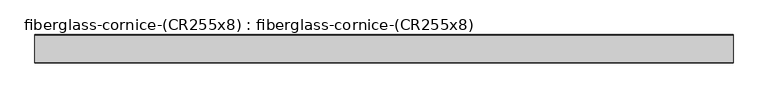
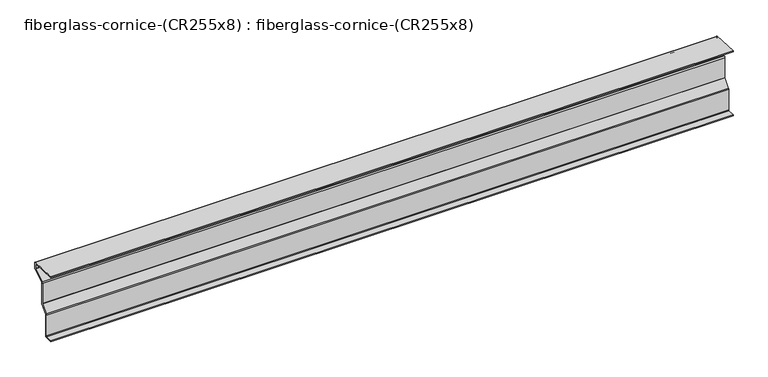
"""IFC4 building model written with IfcOpenShell, lengths in millimetres: furniture geometry, fiberglass-cornice-(CR255x8) : fiberglass-cornice-(CR255x8)."""

from ifc_helpers import new_model, si_unit, point, frame, frame_2d, origin, place, context, project, spatial, polyline, circle_curve, trimmed, segment, composite_curve, outline, extrude, source, transform, mapped, element, save


def fiberglass_cornice_cr255x8_fiberglass_cornice_cr255x8_aec6b964(model_context):
    return source(origin(), model_context, "Body", "SweptSolid", [
        extrude(outline(composite_curve([segment(polyline([(101.6, 330.1999904), (262.0607081, 323.9685066)]), True, "CONTINUOUS"), segment(trimmed(circle_curve(frame_2d((261.9375, 320.7958981)), 3.175), [point((262.0607081, 323.9685066))], [point((265.1125, 320.7958981))], False, "CARTESIAN"), True, "CONTINUOUS"), segment(polyline([(265.1125, 320.7958981), (265.1125, 284.3388793)]), True, "CONTINUOUS"), segment(trimmed(circle_curve(frame_2d((261.9375, 284.3388793)), 3.175), [point((265.1125, 284.3388793))], [point((263.6148585, 281.6431246))], False, "CARTESIAN"), True, "CONTINUOUS"), segment(polyline([(263.6148585, 281.6431246), (195.1726415, 239.0568562)]), True, "CONTINUOUS"), segment(trimmed(circle_curve(frame_2d((196.85, 236.3611015)), 3.175), [point((195.1726415, 239.0568562))], [point((193.675, 236.3611015))], True, "CARTESIAN"), True, "CONTINUOUS"), segment(polyline([(193.675, 236.3611015), (193.675, 109.1611448)]), True, "CONTINUOUS"), segment(trimmed(circle_curve(frame_2d((190.5, 109.1611448)), 3.175), [point((193.675, 109.1611448))], [point((192.8683521, 107.0465447))], False, "CARTESIAN"), True, "CONTINUOUS"), segment(polyline([(192.8683521, 107.0465447), (154.7941479, 64.4034361)]), True, "CONTINUOUS"), segment(trimmed(circle_curve(frame_2d((157.1625, 62.288836)), 3.175), [point((154.7941479, 64.4034361))], [point((153.9875, 62.288836))], True, "CARTESIAN"), True, "CONTINUOUS"), segment(polyline([(153.9875, 62.288836), (153.9875, -73.0250096)]), True, "CONTINUOUS"), segment(trimmed(circle_curve(frame_2d((150.8125, -73.0250096)), 3.175), [point((153.9875, -73.0250096))], [point((150.8125, -76.2000096))], False, "CARTESIAN"), True, "CONTINUOUS"), segment(polyline([(150.8125, -76.2000096), (101.6, -76.2000096), (101.6, -69.8500096), (144.4625, -69.8500096)]), True, "CONTINUOUS"), segment(trimmed(circle_curve(frame_2d((144.4625, -66.6750096)), 3.175), [point((144.4625, -69.8500096))], [point((147.6375, -66.6750096))], True, "CARTESIAN"), True, "CONTINUOUS"), segment(polyline([(147.6375, -66.6750096), (147.6375, 62.288836)]), True, "CONTINUOUS"), segment(trimmed(circle_curve(frame_2d((157.1625, 62.288836)), 9.525), [point((147.6375, 62.288836))], [point((150.0574438, 68.6326362))], False, "CARTESIAN"), True, "CONTINUOUS"), segment(polyline([(150.0574438, 68.6326362), (186.5183521, 109.4688535)]), True, "CONTINUOUS"), segment(trimmed(circle_curve(frame_2d((184.15, 111.5834536)), 3.175), [point((186.5183521, 109.4688535))], [point((187.325, 111.5834536))], True, "CARTESIAN"), True, "CONTINUOUS"), segment(polyline([(187.325, 111.5834536), (187.325, 236.3611015)]), True, "CONTINUOUS"), segment(trimmed(circle_curve(frame_2d((196.85, 236.3611015)), 9.525), [point((187.325, 236.3611015))], [point((191.8179245, 244.4483657))], False, "CARTESIAN"), True, "CONTINUOUS"), segment(polyline([(191.8179245, 244.4483657), (257.2648585, 285.1709024)]), True, "CONTINUOUS"), segment(trimmed(circle_curve(frame_2d((255.5875, 287.8666571)), 3.175), [point((257.2648585, 285.1709024))], [point((258.7625, 287.8666571))], True, "CARTESIAN"), True, "CONTINUOUS"), segment(polyline([(258.7625, 287.8666571), (258.7625, 314.6877135)]), True, "CONTINUOUS"), segment(trimmed(circle_curve(frame_2d((255.5875, 314.6877135)), 3.175), [point((258.7625, 314.6877135))], [point((255.7107081, 317.860322))], True, "CARTESIAN"), True, "CONTINUOUS"), segment(polyline([(255.7107081, 317.860322), (101.3535838, 323.8547734), (101.6, 330.1999904)]), True, "CONTINUOUS")], self_intersect=False)), frame((-2012.9498044, 0.0, 0.0), z_axis=(1.0, 0.0, 0.0), x_axis=(0.0, 1.0, 0.0)), (0.0, 0.0, 1.0), 4025.8996087),
    ])


if __name__ == "__main__":
    model = new_model("IFC4")
    model_context = context("Model", 3, world=origin())
    ifc_project = project(units=[si_unit("LENGTHUNIT", "METRE", prefix="MILLI")], contexts=[model_context])
    site = spatial("IfcSite", under=ifc_project)
    building = spatial("IfcBuilding", under=site)
    placement = place(None, origin())
    fiberglass_cornice_cr255x8_fiberglass_cornice_cr255x8_shape = fiberglass_cornice_cr255x8_fiberglass_cornice_cr255x8_aec6b964(model_context)
    element("IfcFurniture", 1, ObjectType="fiberglass-cornice-(CR255x8) : fiberglass-cornice-(CR255x8)", at=placement, inside=building, context=model_context, shape_type="MappedRepresentation", body=[
        mapped(fiberglass_cornice_cr255x8_fiberglass_cornice_cr255x8_shape, transform((0.0, 0.0, 0.0), x_axis=(1.0, 0.0, 0.0), y_axis=(0.0, 1.0, 0.0), z_axis=(0.0, 0.0, 1.0))),
    ])
    save(model, "model.ifc")
